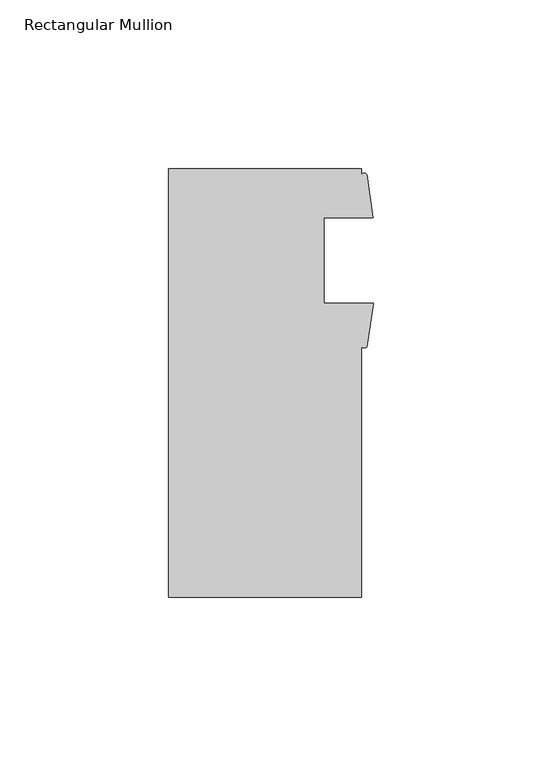
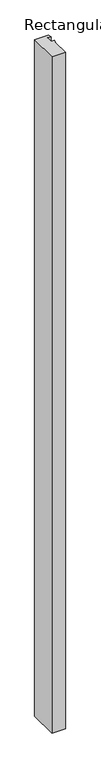
"""IFC4 building model written with IfcOpenShell, lengths in millimetres: member geometry, Rectangular Mullion."""

from ifc_helpers import new_model, si_unit, point, frame, frame_2d, origin, place, context, project, spatial, polyline, circle_curve, trimmed, segment, composite_curve, outline, extrude, source, transform, mapped, element, save


def rectangular_mullion_6ec40898(model_context):
    return source(origin(), model_context, "Body", "SweptSolid", [
        extrude(outline(composite_curve([segment(polyline([(-60.6695217, -60.8223296), (-60.6695217, 66.1776704), (-3.5195217, 66.1776704), (-3.5195217, 64.445433)]), True, "CONTINUOUS"), segment(trimmed(circle_curve(frame_2d((-2.7265736, 63.9535453)), 0.9331239), [point((-3.5195217, 64.445433))], [point((-1.9336255, 64.445433))], False, "CARTESIAN"), True, "CONTINUOUS"), segment(polyline([(-1.9336255, 64.445433), (-0.1235217, 51.6741454), (-14.6320217, 51.6741454), (-14.6320217, 26.2741454), (0.0, 26.2741454), (-1.8561173, 13.5010926)]), True, "CONTINUOUS"), segment(trimmed(circle_curve(frame_2d((-2.6878195, 14.1504469)), 1.0551727), [point((-1.8561173, 13.5010926))], [point((-3.5195217, 13.5010926))], False, "CARTESIAN"), True, "CONTINUOUS"), segment(polyline([(-3.5195217, 13.5010926), (-3.5195217, -60.8223296), (-60.6695217, -60.8223296)]), True, "CONTINUOUS")], self_intersect=False)), frame((0.0, 0.0, -3048.0), z_axis=(0.0, 0.0, 1.0), x_axis=(1.0, 0.0, 0.0)), (0.0, 0.0, 1.0), 3048.0),
    ])


if __name__ == "__main__":
    model = new_model("IFC4")
    model_context = context("Model", 3, world=origin())
    ifc_project = project(units=[si_unit("LENGTHUNIT", "METRE", prefix="MILLI")], contexts=[model_context])
    site = spatial("IfcSite", under=ifc_project)
    building = spatial("IfcBuilding", under=site)
    placement = place(None, origin())
    rectangular_mullion_shape = rectangular_mullion_6ec40898(model_context)
    element("IfcMember", 1, ObjectType="Rectangular Mullion", at=placement, inside=building, context=model_context, shape_type="MappedRepresentation", body=[
        mapped(rectangular_mullion_shape, transform((0.0, 0.0, 0.0), x_axis=(1.0, 0.0, 0.0), y_axis=(0.0, 1.0, 0.0), z_axis=(0.0, 0.0, 1.0))),
    ])
    save(model, "model.ifc")
